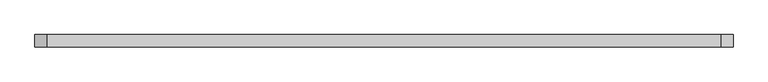
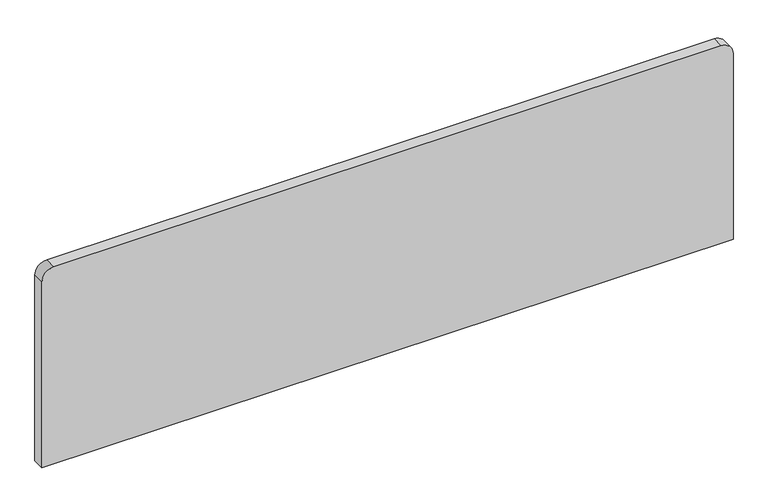
"""IFC4 building model written with IfcOpenShell, lengths in millimetres: furniture geometry."""

from ifc_helpers import new_model, si_unit, point, frame, frame_2d, origin, place, context, project, spatial, polyline, circle_curve, trimmed, segment, composite_curve, outline, extrude, source, transform, mapped, element, save


def furniture_d80b629e(model_context):
    return source(origin(), model_context, "Body", "SweptSolid", [
        extrude(outline(composite_curve([segment(polyline([(752.475, -429.6314461), (752.475, 1570.6185539), (1320.7007813, 1570.6185539)]), True, "CONTINUOUS"), segment(trimmed(circle_curve(frame_2d((1320.7007813, 1535.5943351)), 35.0242187), [point((1320.7007813, 1570.6185539))], [point((1355.725, 1535.5943351))], False, "CARTESIAN"), True, "CONTINUOUS"), segment(polyline([(1355.725, 1535.5943351), (1355.725, -394.6072274)]), True, "CONTINUOUS"), segment(trimmed(circle_curve(frame_2d((1320.7007813, -394.6072274)), 35.0242187), [point((1355.725, -394.6072274))], [point((1320.7007813, -429.6314461))], False, "CARTESIAN"), True, "CONTINUOUS"), segment(polyline([(1320.7007813, -429.6314461), (752.475, -429.6314461)]), True, "CONTINUOUS")], self_intersect=False)), frame((0.0, 26.9378906, 0.0), z_axis=(0.0, 1.0, 0.0), x_axis=(0.0, 0.0, 1.0)), (0.0, 0.0, 1.0), 35.0242188),
    ])


if __name__ == "__main__":
    model = new_model("IFC4")
    model_context = context("Model", 3, world=origin())
    ifc_project = project(units=[si_unit("LENGTHUNIT", "METRE", prefix="MILLI")], contexts=[model_context])
    site = spatial("IfcSite", under=ifc_project)
    building = spatial("IfcBuilding", under=site)
    placement = place(None, origin())
    furniture_shape = furniture_d80b629e(model_context)
    element("IfcFurniture", 1, at=placement, inside=building, context=model_context, shape_type="MappedRepresentation", body=[
        mapped(furniture_shape, transform((0.0, 0.0, 0.0), x_axis=(1.0, 0.0, 0.0), y_axis=(0.0, 1.0, 0.0), z_axis=(0.0, 0.0, 1.0))),
    ])
    save(model, "model.ifc")
